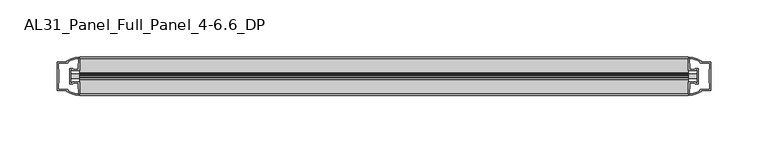
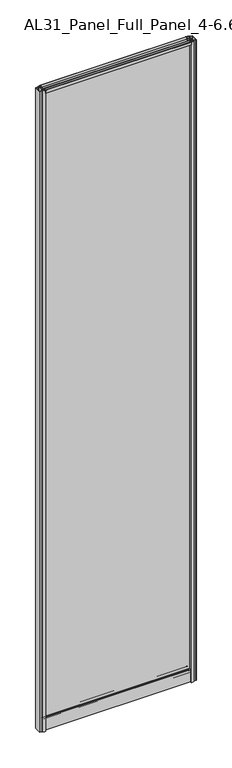
"""IFC4 building model written with IfcOpenShell, lengths in millimetres: plate geometry, AL31_Panel_Full_Panel_4-6.6_DP."""

from ifc_helpers import new_model, si_unit, point, frame, frame_2d, origin, origin_with_axes, place, context, project, spatial, polyline, circle_curve, trimmed, segment, composite_curve, outline, extrude, source, transform, mapped, element, save


def al31_panel_full_panel_4_6_6_dp_8619eae9(model_context):
    return source(origin(), model_context, "Body", "SweptSolid", [
        extrude(outline(composite_curve([segment(trimmed(circle_curve(frame_2d((-19.957, 2461.8572926)), 3.0), [point((-18.457, 2464.4553688))], [point((-17.4851586, 2460.1572926))], False, "CARTESIAN"), True, "CONTINUOUS"), segment(polyline([(-17.4851586, 2460.1572926), (-4.157, 2460.1572926), (-4.157, 2469.5572926), (-2.857, 2469.5572926), (-2.857, 2459.0572926), (-13.1545312, 2459.0572926), (-13.1545312, 2458.2572926), (-13.6601218, 2456.3357964), (-13.6601218, 2451.6572926), (-14.857, 2451.6572926), (-14.857, 2456.9912672), (-14.357, 2457.8572926), (-14.357, 2459.0572926), (-25.357, 2459.0572926), (-25.357, 2457.8572926), (-24.857, 2456.9912672), (-24.857, 2451.6572926), (-26.0538782, 2451.6572926), (-26.0538782, 2456.3357964), (-26.5594688, 2458.2572926), (-26.5594688, 2459.0572926), (-36.857, 2459.0572926), (-36.857, 2469.5572926), (-35.557, 2469.5572926), (-35.557, 2460.1572926), (-22.4288414, 2460.1572926)]), True, "CONTINUOUS"), segment(trimmed(circle_curve(frame_2d((-19.957, 2461.8572926)), 3.0), [point((-22.4288414, 2460.1572926))], [point((-21.457, 2464.4553688))], False, "CARTESIAN"), True, "CONTINUOUS"), segment(polyline([(-21.457, 2464.4553688), (-20.907, 2463.5027409)]), True, "CONTINUOUS"), segment(trimmed(circle_curve(frame_2d((-19.957, 2461.8572926)), 1.9), [point((-20.907, 2463.5027409))], [point((-19.007, 2463.5027409))], True, "CARTESIAN"), True, "CONTINUOUS"), segment(polyline([(-19.007, 2463.5027409), (-18.457, 2464.4553688)]), True, "CONTINUOUS")], self_intersect=False)), frame((-266.3301316, 0.0, 0.0), z_axis=(1.0, 0.0, 0.0), x_axis=(0.0, 1.0, 0.0)), (0.0, 0.0, 1.0), 532.6602632),
        extrude(outline(composite_curve([segment(polyline([(-11.457, 35.8), (-28.257, 35.8)]), True, "CONTINUOUS"), segment(trimmed(circle_curve(frame_2d((-28.257, 34.8)), 1.0), [point((-28.257, 35.8))], [point((-29.257, 34.8))], True, "CARTESIAN"), True, "CONTINUOUS"), segment(polyline([(-29.257, 34.8), (-29.257, 33.5), (-24.8569697, 33.5), (-24.8569697, 32.3), (-29.257, 32.3), (-29.257, 0.0), (-30.457, 0.0), (-30.457, 47.3)]), True, "CONTINUOUS"), segment(trimmed(circle_curve(frame_2d((-28.457, 47.3)), 2.0), [point((-30.457, 47.3))], [point((-28.457, 49.3))], False, "CARTESIAN"), True, "CONTINUOUS"), segment(polyline([(-28.457, 49.3), (-24.857, 49.3), (-24.857, 41.9), (-14.857, 41.9), (-14.857, 49.3), (-11.257, 49.3)]), True, "CONTINUOUS"), segment(trimmed(circle_curve(frame_2d((-11.257, 47.3)), 2.0), [point((-11.257, 49.3))], [point((-9.257, 47.3))], False, "CARTESIAN"), True, "CONTINUOUS"), segment(polyline([(-9.257, 47.3), (-9.257, 0.0), (-10.457, 0.0), (-10.457, 32.3), (-14.8569697, 32.3), (-14.8569697, 33.5), (-10.457, 33.5), (-10.457, 34.8)]), True, "CONTINUOUS"), segment(trimmed(circle_curve(frame_2d((-11.457, 34.8)), 1.0), [point((-10.457, 34.8))], [point((-11.457, 35.8))], True, "CARTESIAN"), True, "CONTINUOUS")], self_intersect=False), holes=[composite_curve([segment(polyline([(-26.3594688, 41.8), (-26.3594688, 42.9)]), True, "CONTINUOUS"), segment(trimmed(circle_curve(frame_2d((-25.1594688, 42.9)), 1.2), [point((-26.3594688, 42.9))], [point((-25.9768184, 43.7786009))], False, "CARTESIAN"), True, "CONTINUOUS"), segment(polyline([(-25.9768184, 43.7786009), (-25.9768184, 48.2), (-28.257, 48.2)]), True, "CONTINUOUS"), segment(trimmed(circle_curve(frame_2d((-28.257, 47.2)), 1.0), [point((-28.257, 48.2))], [point((-29.257, 47.2))], True, "CARTESIAN"), True, "CONTINUOUS"), segment(polyline([(-29.257, 47.2), (-29.257, 37.04), (-22.6578965, 37.04), (-22.6578965, 38.0725806), (-21.6940508, 38.0725806)]), True, "CONTINUOUS"), segment(trimmed(circle_curve(frame_2d((-19.857, 39.1)), 2.1048387), [point((-21.6940508, 38.0725806))], [point((-18.0199492, 38.0725806))], True, "CARTESIAN"), True, "CONTINUOUS"), segment(polyline([(-18.0199492, 38.0725806), (-17.0561035, 38.0725806), (-17.0561035, 37.04), (-10.457, 37.04), (-10.457, 47.2)]), True, "CONTINUOUS"), segment(trimmed(circle_curve(frame_2d((-11.457, 47.2)), 1.0), [point((-10.457, 47.2))], [point((-11.457, 48.2))], True, "CARTESIAN"), True, "CONTINUOUS"), segment(polyline([(-11.457, 48.2), (-13.7371816, 48.2), (-13.7371816, 43.5786009)]), True, "CONTINUOUS"), segment(trimmed(circle_curve(frame_2d((-14.5545312, 42.7)), 1.2), [point((-13.7371816, 43.5786009))], [point((-13.3545312, 42.7))], False, "CARTESIAN"), True, "CONTINUOUS"), segment(polyline([(-13.3545312, 42.7), (-13.3545312, 41.8)]), True, "CONTINUOUS"), segment(trimmed(circle_curve(frame_2d((-14.3545312, 41.8)), 1.0), [point((-13.3545312, 41.8))], [point((-14.3545312, 40.8))], False, "CARTESIAN"), True, "CONTINUOUS"), segment(polyline([(-14.3545312, 40.8), (-17.0561035, 40.8), (-17.0561035, 39.7274194), (-18.0199492, 39.7274194)]), True, "CONTINUOUS"), segment(trimmed(circle_curve(frame_2d((-19.857, 38.7)), 2.1048387), [point((-18.0199492, 39.7274194))], [point((-21.6940508, 39.7274194))], True, "CARTESIAN"), True, "CONTINUOUS"), segment(polyline([(-21.6940508, 39.7274194), (-22.6578965, 39.7274194), (-22.6578965, 40.8), (-25.3594688, 40.8)]), True, "CONTINUOUS"), segment(trimmed(circle_curve(frame_2d((-25.3594688, 41.8)), 1.0), [point((-25.3594688, 40.8))], [point((-26.3594688, 41.8))], False, "CARTESIAN"), True, "CONTINUOUS")], self_intersect=False)]), frame((-266.3301316, 0.0, 0.0), z_axis=(1.0, 0.0, 0.0), x_axis=(0.0, 1.0, 0.0)), (0.0, 0.0, 1.0), 532.6602632),
        extrude(outline(composite_curve([segment(polyline([(-274.171553, -25.757), (-272.971553, -25.757), (-272.971553, -24.857), (-266.3301316, -24.857), (-266.3301316, -36.8571453)]), True, "CONTINUOUS"), segment(trimmed(circle_curve(frame_2d((-265.96548, -16.8604698)), 20.0), [point((-266.3301316, -36.8571453))], [point((-277.6859668, -33.0663388))], False, "CARTESIAN"), True, "CONTINUOUS"), segment(polyline([(-277.6859668, -33.0663388), (-277.6859668, -32.1849343), (-286.3301316, -32.1849343), (-286.3301316, -7.4849343), (-277.6859668, -7.4849343), (-277.6859668, -6.6474751)]), True, "CONTINUOUS"), segment(trimmed(circle_curve(frame_2d((-265.96548, -22.8533441)), 20.0), [point((-277.6859668, -6.6474751))], [point((-266.3301316, -2.8566686))], False, "CARTESIAN"), True, "CONTINUOUS"), segment(polyline([(-266.3301316, -2.8566686), (-266.3301316, -14.857), (-272.971553, -14.857), (-272.971553, -13.957), (-274.171553, -13.957), (-274.171553, -25.757)]), True, "CONTINUOUS")], self_intersect=False), holes=[composite_curve([segment(trimmed(circle_curve(frame_2d((-273.171553, -14.157)), 1.5), [point((-273.171553, -12.657))], [point((-271.8162987, -13.5141269))], False, "CARTESIAN"), True, "CONTINUOUS"), segment(polyline([(-271.8162987, -13.5141269), (-268.071553, -13.5141269), (-268.071553, -8.917777), (-267.6322131, -7.8571168), (-267.6322131, -4.2070183)]), True, "CONTINUOUS"), segment(trimmed(circle_curve(frame_2d((-265.96548, -22.8325921)), 18.7), [point((-267.6322131, -4.2070183))], [point((-275.9722578, -7.0353013))], True, "CARTESIAN"), True, "CONTINUOUS"), segment(trimmed(circle_curve(frame_2d((-277.771553, -6.9849343)), 1.8), [point((-275.9722578, -7.0353013))], [point((-277.771553, -8.7849343))], False, "CARTESIAN"), True, "CONTINUOUS"), segment(polyline([(-277.771553, -8.7849343), (-284.9129743, -8.7849343), (-284.9129743, -13.3550394), (-284.471553, -14.417777), (-284.471553, -25.2520916), (-284.971553, -26.2449987), (-284.971553, -30.8849343), (-277.771553, -30.8849343)]), True, "CONTINUOUS"), segment(trimmed(circle_curve(frame_2d((-277.771553, -32.6849343)), 1.8), [point((-277.771553, -30.8849343))], [point((-275.9722578, -32.6345673))], False, "CARTESIAN"), True, "CONTINUOUS"), segment(trimmed(circle_curve(frame_2d((-265.96548, -16.8372765)), 18.7), [point((-275.9722578, -32.6345673))], [point((-267.6322131, -35.4628503))], True, "CARTESIAN"), True, "CONTINUOUS"), segment(polyline([(-267.6322131, -35.4628503), (-267.6322131, -31.8127518), (-268.071553, -30.7520916), (-268.071553, -26.1561308), (-271.7964012, -26.1561308)]), True, "CONTINUOUS"), segment(trimmed(circle_curve(frame_2d((-273.171553, -25.557)), 1.5), [point((-271.7964012, -26.1561308))], [point((-273.171553, -27.057))], False, "CARTESIAN"), True, "CONTINUOUS"), segment(polyline([(-273.171553, -27.057), (-275.471553, -27.057), (-275.471553, -12.657), (-273.171553, -12.657)]), True, "CONTINUOUS")], self_intersect=False)]), origin_with_axes(), (0.0, 0.0, 1.0), 2469.5572926),
        extrude(outline(composite_curve([segment(polyline([(274.171553, -13.957), (272.971553, -13.957), (272.971553, -14.857), (266.3301316, -14.857), (266.3301316, -2.8568547)]), True, "CONTINUOUS"), segment(trimmed(circle_curve(frame_2d((265.96548, -22.8535302)), 20.0), [point((266.3301316, -2.8568547))], [point((277.6859668, -6.6476612))], False, "CARTESIAN"), True, "CONTINUOUS"), segment(polyline([(277.6859668, -6.6476612), (277.6859668, -7.5290657), (286.3301316, -7.5290657), (286.3301316, -32.2290657), (277.6859668, -32.2290657), (277.6859668, -33.0665249)]), True, "CONTINUOUS"), segment(trimmed(circle_curve(frame_2d((265.96548, -16.8606559)), 20.0), [point((277.6859668, -33.0665249))], [point((266.3301316, -36.8573314))], False, "CARTESIAN"), True, "CONTINUOUS"), segment(polyline([(266.3301316, -36.8573314), (266.3301316, -24.857), (272.971553, -24.857), (272.971553, -25.757), (274.171553, -25.757), (274.171553, -13.957)]), True, "CONTINUOUS")], self_intersect=False), holes=[composite_curve([segment(trimmed(circle_curve(frame_2d((273.171553, -25.557)), 1.5), [point((273.171553, -27.057))], [point((271.8162987, -26.1998731))], False, "CARTESIAN"), True, "CONTINUOUS"), segment(polyline([(271.8162987, -26.1998731), (268.071553, -26.1998731), (268.071553, -30.796223), (267.6322131, -31.8568832), (267.6322131, -35.5069817)]), True, "CONTINUOUS"), segment(trimmed(circle_curve(frame_2d((265.96548, -16.8814079)), 18.7), [point((267.6322131, -35.5069817))], [point((275.9722578, -32.6786987))], True, "CARTESIAN"), True, "CONTINUOUS"), segment(trimmed(circle_curve(frame_2d((277.771553, -32.7290657)), 1.8), [point((275.9722578, -32.6786987))], [point((277.771553, -30.9290657))], False, "CARTESIAN"), True, "CONTINUOUS"), segment(polyline([(277.771553, -30.9290657), (284.9129743, -30.9290657), (284.9129743, -26.3589606), (284.471553, -25.296223), (284.471553, -14.4619084), (284.971553, -13.4690013), (284.971553, -8.8290657), (277.771553, -8.8290657)]), True, "CONTINUOUS"), segment(trimmed(circle_curve(frame_2d((277.771553, -7.0290657)), 1.8), [point((277.771553, -8.8290657))], [point((275.9722578, -7.0794327))], False, "CARTESIAN"), True, "CONTINUOUS"), segment(trimmed(circle_curve(frame_2d((265.96548, -22.8767235)), 18.7), [point((275.9722578, -7.0794327))], [point((267.6322131, -4.2511497))], True, "CARTESIAN"), True, "CONTINUOUS"), segment(polyline([(267.6322131, -4.2511497), (267.6322131, -7.9012482), (268.071553, -8.9619084), (268.071553, -13.5578692), (271.7964012, -13.5578692)]), True, "CONTINUOUS"), segment(trimmed(circle_curve(frame_2d((273.171553, -14.157)), 1.5), [point((271.7964012, -13.5578692))], [point((273.171553, -12.657))], False, "CARTESIAN"), True, "CONTINUOUS"), segment(polyline([(273.171553, -12.657), (275.471553, -12.657), (275.471553, -27.057), (273.171553, -27.057)]), True, "CONTINUOUS")], self_intersect=False)]), origin_with_axes(), (0.0, 0.0, 1.0), 2469.5572926),
        extrude(outline(polyline([(274.171553, -17.857), (274.171553, -21.857), (-274.171553, -21.857), (-274.171553, -17.857), (274.171553, -17.857)])), frame((0.0, 0.0, 41.9), z_axis=(0.0, 0.0, 1.0), x_axis=(1.0, 0.0, 0.0)), (0.0, 0.0, 1.0), 2417.1572926),
    ])


if __name__ == "__main__":
    model = new_model("IFC4")
    model_context = context("Model", 3, world=origin())
    ifc_project = project(units=[si_unit("LENGTHUNIT", "METRE", prefix="MILLI")], contexts=[model_context])
    site = spatial("IfcSite", under=ifc_project)
    building = spatial("IfcBuilding", under=site)
    placement = place(None, origin())
    al31_panel_full_panel_4_6_6_dp_shape = al31_panel_full_panel_4_6_6_dp_8619eae9(model_context)
    element("IfcPlate", 1, ObjectType="AL31_Panel_Full_Panel_4-6.6_DP", at=placement, inside=building, context=model_context, shape_type="MappedRepresentation", body=[
        mapped(al31_panel_full_panel_4_6_6_dp_shape, transform((0.0, 0.0, 0.0), x_axis=(1.0, 0.0, 0.0), y_axis=(0.0, 1.0, 0.0), z_axis=(0.0, 0.0, 1.0))),
    ])
    save(model, "model.ifc")
